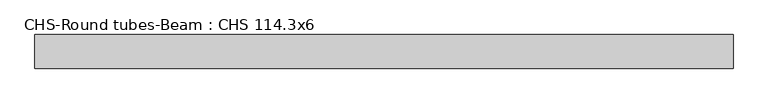
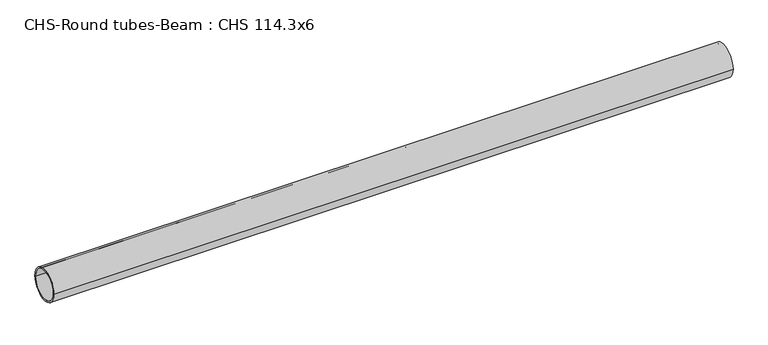
"""IFC4 building model written with IfcOpenShell, lengths in millimetres: beam geometry, CHS-Round tubes-Beam : CHS 114.3x6."""

import ifcopenshell
import ifcopenshell.guid

model = None  # the IFC model being written
_history = None  # IfcOwnerHistory: only IFC2X3 demands one
_inside = {}  # id of a spatial element -> (the spatial element, [elements in it])
_under = {}  # id of a project, library or spatial element -> (it, [spatial elements below it])
_declared = {}  # id of a project -> (the project, [libraries it declares])
_typed = {}  # id of a type object -> (the type object, [elements of that type])
_made_of = {}  # id of a material, layer set ... -> (it, [elements and type objects made of it])


def new_model(schema):
    """Start an empty IFC model of exactly this schema.

    Asked for "IFC4X3", IfcOpenShell would pick the latest addendum, in which some entities
    have other attributes; the version numbers below select the first issue.
    IFC2X3 requires an IfcOwnerHistory on every rooted entity: one is made here for all.
    """
    global model, _history
    if schema == "IFC4X3":
        model = ifcopenshell.file(schema_version=(4, 3, 0, 0))
    else:
        model = ifcopenshell.file(schema=schema)
    _inside.clear()
    _under.clear()
    _declared.clear()
    _typed.clear()
    _made_of.clear()
    _history = None
    if model.schema == "IFC2X3":
        org = make("IfcOrganization", Name="unknown")
        user = make(
            "IfcPersonAndOrganization",
            ThePerson=make("IfcPerson", FamilyName="unknown"),
            TheOrganization=org,
        )
        app = make(
            "IfcApplication",
            ApplicationDeveloper=org,
            Version="unknown",
            ApplicationFullName="unknown",
            ApplicationIdentifier="unknown",
        )
        _history = make(
            "IfcOwnerHistory",
            OwningUser=user,
            OwningApplication=app,
            ChangeAction="ADDED",
            CreationDate=0,
        )
    return model


def make(cls, **values):
    """One entity of the class cls with the attributes given. An attribute that is None is left unset."""
    return model.create_entity(
        cls, **{name: value for name, value in values.items() if value is not None}
    )


def rooted(cls, **values):
    """An entity with a GlobalId (a new one), such as an element, a storey or a relation."""
    return make(cls, GlobalId=ifcopenshell.guid.new(), OwnerHistory=_history, **values)


def si_unit(unit_type, name, prefix=None):
    """IfcSIUnit, for example si_unit("LENGTHUNIT", "METRE", prefix="MILLI")."""
    return make("IfcSIUnit", UnitType=unit_type, Prefix=prefix, Name=name)


def assignment(units):
    """IfcUnitAssignment: the units of a project."""
    return None if units is None else make("IfcUnitAssignment", Units=units)


def point(xyz):
    """IfcCartesianPoint."""
    return None if xyz is None else make("IfcCartesianPoint", Coordinates=xyz)


def direction(xyz):
    """IfcDirection."""
    return None if xyz is None else make("IfcDirection", DirectionRatios=xyz)


def frame(location, z_axis=None, x_axis=None):
    """IfcAxis2Placement3D, a coordinate frame: its origin and axes. An axis left out is left unset."""
    return make(
        "IfcAxis2Placement3D",
        Location=point(location),
        Axis=direction(z_axis),
        RefDirection=direction(x_axis),
    )


def frame_2d(location, x_axis=None):
    """IfcAxis2Placement2D, a coordinate frame in the plane: its origin and x axis."""
    return make(
        "IfcAxis2Placement2D", Location=point(location), RefDirection=direction(x_axis)
    )


def origin():
    """The frame at (0, 0, 0) with its axes left unset."""
    return frame((0.0, 0.0, 0.0))


def origin_2d():
    """The frame at (0, 0) in the plane with its x axis left unset."""
    return frame_2d((0.0, 0.0))


def place(relative_to, where):
    """IfcLocalPlacement: puts the frame where relative to a parent placement (None: the world)."""
    return make(
        "IfcLocalPlacement", PlacementRelTo=relative_to, RelativePlacement=where
    )


def context(
    kind, dimensions, precision=None, world=None, true_north=None, identifier=None
):
    """IfcGeometricRepresentationContext, for example the 3D "Model" context."""
    return make(
        "IfcGeometricRepresentationContext",
        ContextIdentifier=identifier,
        ContextType=kind,
        CoordinateSpaceDimension=dimensions,
        Precision=precision,
        WorldCoordinateSystem=world,
        TrueNorth=true_north,
    )


def project(units=None, contexts=None):
    """IfcProject with its units and contexts."""
    return rooted(
        "IfcProject",
        Name="project",
        RepresentationContexts=contexts,
        UnitsInContext=assignment(units),
    )


def spatial(cls, under=None, at=None, **own):
    """A site, building, storey or space (cls), placed at a placement, below another one or the project."""
    s = rooted(cls, ObjectPlacement=at, **own)
    if under is not None:
        _under.setdefault(under.id(), (under, []))[1].append(s)
    return s


def circle_curve(where, radius):
    """IfcCircle in the frame where."""
    return make("IfcCircle", Position=where, Radius=radius)


def trimmed(basis, trim1, trim2, sense, master):
    """IfcTrimmedCurve: the piece of a basis curve between two trims."""
    return make(
        "IfcTrimmedCurve",
        BasisCurve=basis,
        Trim1=trim1,
        Trim2=trim2,
        SenseAgreement=sense,
        MasterRepresentation=master,
    )


def segment(curve, same_sense, transition):
    """IfcCompositeCurveSegment."""
    return make(
        "IfcCompositeCurveSegment",
        Transition=transition,
        SameSense=same_sense,
        ParentCurve=curve,
    )


def composite_curve(segments, self_intersect=None):
    """IfcCompositeCurve: segments joined end to end."""
    return make("IfcCompositeCurve", Segments=segments, SelfIntersect=self_intersect)


def outline(outer, holes=None, kind="AREA"):
    """IfcArbitraryClosedProfileDef: a profile drawn as a closed curve; with holes, ...WithVoids."""
    if holes is None:
        return make("IfcArbitraryClosedProfileDef", ProfileType=kind, OuterCurve=outer)
    return make(
        "IfcArbitraryProfileDefWithVoids",
        ProfileType=kind,
        OuterCurve=outer,
        InnerCurves=holes,
    )


def extrude(swept, where, along, depth):
    """IfcExtrudedAreaSolid: the profile swept, set in the frame where, extruded along a direction by depth."""
    return make(
        "IfcExtrudedAreaSolid",
        SweptArea=swept,
        Position=where,
        ExtrudedDirection=direction(along),
        Depth=depth,
    )


def shape(context_of_items, identifier, shape_type, items):
    """IfcShapeRepresentation: the items that make up one representation, for example the "Body"."""
    return make(
        "IfcShapeRepresentation",
        ContextOfItems=context_of_items,
        RepresentationIdentifier=identifier,
        RepresentationType=shape_type,
        Items=items,
    )


def source(mapping_origin, context_of_items, identifier, shape_type, items):
    """IfcRepresentationMap: a shape defined once, which mapped items show again and again."""
    return make(
        "IfcRepresentationMap",
        MappingOrigin=mapping_origin,
        MappedRepresentation=shape(context_of_items, identifier, shape_type, items),
    )


def transform(
    local_origin,
    x_axis=None,
    y_axis=None,
    z_axis=None,
    scale=None,
    scale2=None,
    scale3=None,
    uniform=True,
):
    """IfcCartesianTransformationOperator3D, or its non-uniform kind. x_axis, y_axis, z_axis: its Axis1, 2, 3."""
    if uniform:
        return make(
            "IfcCartesianTransformationOperator3D",
            Axis1=direction(x_axis),
            Axis2=direction(y_axis),
            LocalOrigin=point(local_origin),
            Scale=scale,
            Axis3=direction(z_axis),
        )
    return make(
        "IfcCartesianTransformationOperator3DnonUniform",
        Axis1=direction(x_axis),
        Axis2=direction(y_axis),
        LocalOrigin=point(local_origin),
        Scale=scale,
        Axis3=direction(z_axis),
        Scale2=scale2,
        Scale3=scale3,
    )


def mapped(mapping_source, mapping_target):
    """IfcMappedItem: shows the shape of a source again, moved by a transform."""
    return make(
        "IfcMappedItem", MappingSource=mapping_source, MappingTarget=mapping_target
    )


def made_of(thing, what):
    """Note that an element or type object is made of a material, layer set ...; save() writes the relation."""
    if what is not None:
        _made_of.setdefault(what.id(), (what, []))[1].append(thing)
    return thing


def element(
    cls,
    number,
    at=None,
    inside=None,
    cuts=None,
    type_object=None,
    material=None,
    context=None,
    identifier="Body",
    shape_type=None,
    held_by="IfcProductDefinitionShape",
    body=None,
    shapes=None,
    **own,
):
    """One element of the class cls, such as IfcWall. Its Tag is "e" and its number.

    at: its placement. inside: the storey or other place that contains it. cuts: it is an
    opening in that element (IfcRelVoidsElement). A single representation is given by context,
    identifier, shape_type and body (its items); several are given by shapes. held_by: the class
    of the entity that holds the representations. save() writes the other relations.
    """
    e = rooted(cls, Tag="e%d" % number, ObjectPlacement=at, **own)
    if body is not None:
        shapes = [shape(context, identifier, shape_type, body)]
    if shapes is not None:
        e.Representation = make(held_by, Representations=shapes)
    if inside is not None:
        _inside.setdefault(inside.id(), (inside, []))[1].append(e)
    if cuts is not None:
        rooted(
            "IfcRelVoidsElement", RelatingBuildingElement=cuts, RelatedOpeningElement=e
        )
    if type_object is not None:
        _typed.setdefault(type_object.id(), (type_object, []))[1].append(e)
    return made_of(e, material)


def aggregate(whole, parts):
    """IfcRelAggregates: a whole, such as a stair, and the parts it consists of."""
    return rooted("IfcRelAggregates", RelatingObject=whole, RelatedObjects=parts)


def save(model, path):
    """Write the relations noted so far, then the file.

    IfcRelAggregates (storeys below a building ...), IfcRelContainedInSpatialStructure (elements
    in a storey), IfcRelDefinesByType, IfcRelAssociatesMaterial and IfcRelDeclares: one each for
    every whole, place, type object, material and project.
    """
    for whole, parts in _under.values():
        aggregate(whole, parts)
    for where, things in _inside.values():
        rooted(
            "IfcRelContainedInSpatialStructure",
            RelatedElements=things,
            RelatingStructure=where,
        )
    for kind, things in _typed.values():
        rooted("IfcRelDefinesByType", RelatedObjects=things, RelatingType=kind)
    for what, things in _made_of.values():
        rooted("IfcRelAssociatesMaterial", RelatedObjects=things, RelatingMaterial=what)
    for by, libraries in _declared.values():
        rooted("IfcRelDeclares", RelatingContext=by, RelatedDefinitions=libraries)
    model.write(path)


def chs_round_tubes_beam_chs_114_3x6_bea80a31(model_context):
    return source(origin(), model_context, "Body", "SweptSolid", [
        extrude(outline(composite_curve([segment(trimmed(circle_curve(origin_2d(), 57.15), [point((57.15, 0.0))], [point((-57.15, 0.0))], False, "CARTESIAN"), True, "CONTINUOUS"), segment(trimmed(circle_curve(origin_2d(), 57.15), [point((-57.15, 0.0))], [point((57.15, 0.0))], False, "CARTESIAN"), True, "CONTINUOUS")], self_intersect=False), holes=[composite_curve([segment(trimmed(circle_curve(origin_2d(), 51.15), [point((51.15, 0.0))], [point((-51.15, 0.0))], True, "CARTESIAN"), True, "CONTINUOUS"), segment(trimmed(circle_curve(origin_2d(), 51.15), [point((-51.15, 0.0))], [point((51.15, 0.0))], True, "CARTESIAN"), True, "CONTINUOUS")], self_intersect=False)]), frame((-1123.0552861, 0.0, 0.0), z_axis=(1.0, 0.0, 0.0), x_axis=(0.0, 1.0, 0.0)), (0.0, 0.0, 1.0), 2370.9062003),
    ])


if __name__ == "__main__":
    model = new_model("IFC4")
    model_context = context("Model", 3, world=origin())
    ifc_project = project(units=[si_unit("LENGTHUNIT", "METRE", prefix="MILLI")], contexts=[model_context])
    site = spatial("IfcSite", under=ifc_project)
    building = spatial("IfcBuilding", under=site)
    placement = place(None, origin())
    chs_round_tubes_beam_chs_114_3x6_shape = chs_round_tubes_beam_chs_114_3x6_bea80a31(model_context)
    element("IfcBeam", 1, ObjectType="CHS-Round tubes-Beam : CHS 114.3x6", at=placement, inside=building, context=model_context, shape_type="MappedRepresentation", body=[
        mapped(chs_round_tubes_beam_chs_114_3x6_shape, transform((0.0, 0.0, 0.0), x_axis=(1.0, 0.0, 0.0), y_axis=(0.0, 1.0, 0.0), z_axis=(0.0, 0.0, 1.0))),
    ])
    save(model, "model.ifc")
